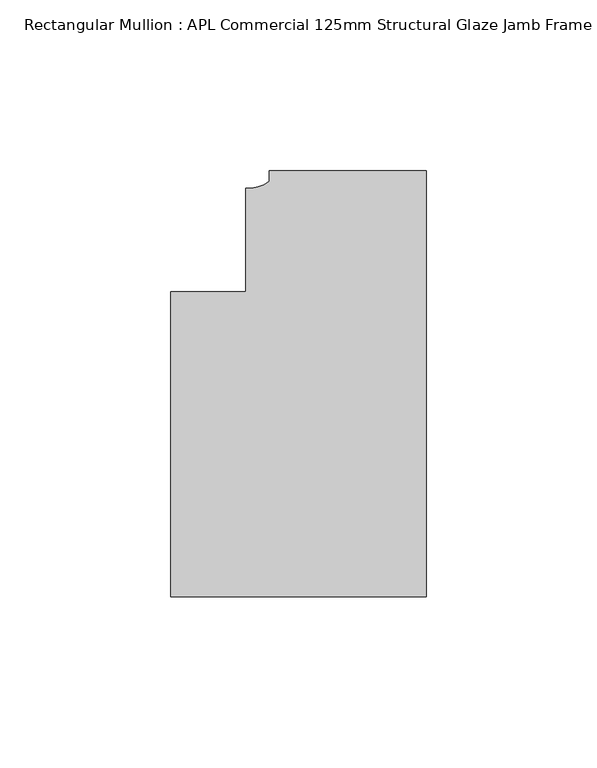
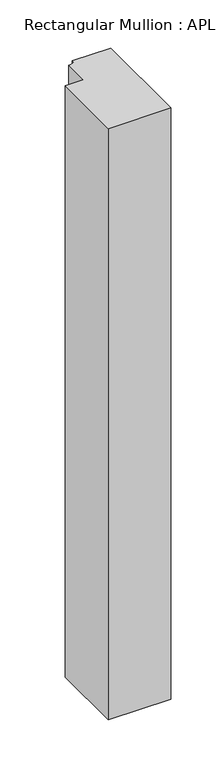
"""IFC4 building model written with IfcOpenShell, lengths in millimetres: member geometry, Rectangular Mullion : APL Commercial 125mm Structural Glaze Jamb Frame (left)."""

import ifcopenshell
import ifcopenshell.guid

model = None  # the IFC model being written
_history = None  # IfcOwnerHistory: only IFC2X3 demands one
_inside = {}  # id of a spatial element -> (the spatial element, [elements in it])
_under = {}  # id of a project, library or spatial element -> (it, [spatial elements below it])
_declared = {}  # id of a project -> (the project, [libraries it declares])
_typed = {}  # id of a type object -> (the type object, [elements of that type])
_made_of = {}  # id of a material, layer set ... -> (it, [elements and type objects made of it])


def new_model(schema):
    """Start an empty IFC model of exactly this schema.

    Asked for "IFC4X3", IfcOpenShell would pick the latest addendum, in which some entities
    have other attributes; the version numbers below select the first issue.
    IFC2X3 requires an IfcOwnerHistory on every rooted entity: one is made here for all.
    """
    global model, _history
    if schema == "IFC4X3":
        model = ifcopenshell.file(schema_version=(4, 3, 0, 0))
    else:
        model = ifcopenshell.file(schema=schema)
    _inside.clear()
    _under.clear()
    _declared.clear()
    _typed.clear()
    _made_of.clear()
    _history = None
    if model.schema == "IFC2X3":
        org = make("IfcOrganization", Name="unknown")
        user = make(
            "IfcPersonAndOrganization",
            ThePerson=make("IfcPerson", FamilyName="unknown"),
            TheOrganization=org,
        )
        app = make(
            "IfcApplication",
            ApplicationDeveloper=org,
            Version="unknown",
            ApplicationFullName="unknown",
            ApplicationIdentifier="unknown",
        )
        _history = make(
            "IfcOwnerHistory",
            OwningUser=user,
            OwningApplication=app,
            ChangeAction="ADDED",
            CreationDate=0,
        )
    return model


def make(cls, **values):
    """One entity of the class cls with the attributes given. An attribute that is None is left unset."""
    return model.create_entity(
        cls, **{name: value for name, value in values.items() if value is not None}
    )


def rooted(cls, **values):
    """An entity with a GlobalId (a new one), such as an element, a storey or a relation."""
    return make(cls, GlobalId=ifcopenshell.guid.new(), OwnerHistory=_history, **values)


def si_unit(unit_type, name, prefix=None):
    """IfcSIUnit, for example si_unit("LENGTHUNIT", "METRE", prefix="MILLI")."""
    return make("IfcSIUnit", UnitType=unit_type, Prefix=prefix, Name=name)


def assignment(units):
    """IfcUnitAssignment: the units of a project."""
    return None if units is None else make("IfcUnitAssignment", Units=units)


def point(xyz):
    """IfcCartesianPoint."""
    return None if xyz is None else make("IfcCartesianPoint", Coordinates=xyz)


def direction(xyz):
    """IfcDirection."""
    return None if xyz is None else make("IfcDirection", DirectionRatios=xyz)


def frame(location, z_axis=None, x_axis=None):
    """IfcAxis2Placement3D, a coordinate frame: its origin and axes. An axis left out is left unset."""
    return make(
        "IfcAxis2Placement3D",
        Location=point(location),
        Axis=direction(z_axis),
        RefDirection=direction(x_axis),
    )


def frame_2d(location, x_axis=None):
    """IfcAxis2Placement2D, a coordinate frame in the plane: its origin and x axis."""
    return make(
        "IfcAxis2Placement2D", Location=point(location), RefDirection=direction(x_axis)
    )


def origin():
    """The frame at (0, 0, 0) with its axes left unset."""
    return frame((0.0, 0.0, 0.0))


def place(relative_to, where):
    """IfcLocalPlacement: puts the frame where relative to a parent placement (None: the world)."""
    return make(
        "IfcLocalPlacement", PlacementRelTo=relative_to, RelativePlacement=where
    )


def context(
    kind, dimensions, precision=None, world=None, true_north=None, identifier=None
):
    """IfcGeometricRepresentationContext, for example the 3D "Model" context."""
    return make(
        "IfcGeometricRepresentationContext",
        ContextIdentifier=identifier,
        ContextType=kind,
        CoordinateSpaceDimension=dimensions,
        Precision=precision,
        WorldCoordinateSystem=world,
        TrueNorth=true_north,
    )


def project(units=None, contexts=None):
    """IfcProject with its units and contexts."""
    return rooted(
        "IfcProject",
        Name="project",
        RepresentationContexts=contexts,
        UnitsInContext=assignment(units),
    )


def spatial(cls, under=None, at=None, **own):
    """A site, building, storey or space (cls), placed at a placement, below another one or the project."""
    s = rooted(cls, ObjectPlacement=at, **own)
    if under is not None:
        _under.setdefault(under.id(), (under, []))[1].append(s)
    return s


def polyline(points):
    """IfcPolyline through the points."""
    return make("IfcPolyline", Points=[point(p) for p in points])


def circle_curve(where, radius):
    """IfcCircle in the frame where."""
    return make("IfcCircle", Position=where, Radius=radius)


def trimmed(basis, trim1, trim2, sense, master):
    """IfcTrimmedCurve: the piece of a basis curve between two trims."""
    return make(
        "IfcTrimmedCurve",
        BasisCurve=basis,
        Trim1=trim1,
        Trim2=trim2,
        SenseAgreement=sense,
        MasterRepresentation=master,
    )


def segment(curve, same_sense, transition):
    """IfcCompositeCurveSegment."""
    return make(
        "IfcCompositeCurveSegment",
        Transition=transition,
        SameSense=same_sense,
        ParentCurve=curve,
    )


def composite_curve(segments, self_intersect=None):
    """IfcCompositeCurve: segments joined end to end."""
    return make("IfcCompositeCurve", Segments=segments, SelfIntersect=self_intersect)


def outline(outer, holes=None, kind="AREA"):
    """IfcArbitraryClosedProfileDef: a profile drawn as a closed curve; with holes, ...WithVoids."""
    if holes is None:
        return make("IfcArbitraryClosedProfileDef", ProfileType=kind, OuterCurve=outer)
    return make(
        "IfcArbitraryProfileDefWithVoids",
        ProfileType=kind,
        OuterCurve=outer,
        InnerCurves=holes,
    )


def extrude(swept, where, along, depth):
    """IfcExtrudedAreaSolid: the profile swept, set in the frame where, extruded along a direction by depth."""
    return make(
        "IfcExtrudedAreaSolid",
        SweptArea=swept,
        Position=where,
        ExtrudedDirection=direction(along),
        Depth=depth,
    )


def shape(context_of_items, identifier, shape_type, items):
    """IfcShapeRepresentation: the items that make up one representation, for example the "Body"."""
    return make(
        "IfcShapeRepresentation",
        ContextOfItems=context_of_items,
        RepresentationIdentifier=identifier,
        RepresentationType=shape_type,
        Items=items,
    )


def source(mapping_origin, context_of_items, identifier, shape_type, items):
    """IfcRepresentationMap: a shape defined once, which mapped items show again and again."""
    return make(
        "IfcRepresentationMap",
        MappingOrigin=mapping_origin,
        MappedRepresentation=shape(context_of_items, identifier, shape_type, items),
    )


def transform(
    local_origin,
    x_axis=None,
    y_axis=None,
    z_axis=None,
    scale=None,
    scale2=None,
    scale3=None,
    uniform=True,
):
    """IfcCartesianTransformationOperator3D, or its non-uniform kind. x_axis, y_axis, z_axis: its Axis1, 2, 3."""
    if uniform:
        return make(
            "IfcCartesianTransformationOperator3D",
            Axis1=direction(x_axis),
            Axis2=direction(y_axis),
            LocalOrigin=point(local_origin),
            Scale=scale,
            Axis3=direction(z_axis),
        )
    return make(
        "IfcCartesianTransformationOperator3DnonUniform",
        Axis1=direction(x_axis),
        Axis2=direction(y_axis),
        LocalOrigin=point(local_origin),
        Scale=scale,
        Axis3=direction(z_axis),
        Scale2=scale2,
        Scale3=scale3,
    )


def mapped(mapping_source, mapping_target):
    """IfcMappedItem: shows the shape of a source again, moved by a transform."""
    return make(
        "IfcMappedItem", MappingSource=mapping_source, MappingTarget=mapping_target
    )


def made_of(thing, what):
    """Note that an element or type object is made of a material, layer set ...; save() writes the relation."""
    if what is not None:
        _made_of.setdefault(what.id(), (what, []))[1].append(thing)
    return thing


def element(
    cls,
    number,
    at=None,
    inside=None,
    cuts=None,
    type_object=None,
    material=None,
    context=None,
    identifier="Body",
    shape_type=None,
    held_by="IfcProductDefinitionShape",
    body=None,
    shapes=None,
    **own,
):
    """One element of the class cls, such as IfcWall. Its Tag is "e" and its number.

    at: its placement. inside: the storey or other place that contains it. cuts: it is an
    opening in that element (IfcRelVoidsElement). A single representation is given by context,
    identifier, shape_type and body (its items); several are given by shapes. held_by: the class
    of the entity that holds the representations. save() writes the other relations.
    """
    e = rooted(cls, Tag="e%d" % number, ObjectPlacement=at, **own)
    if body is not None:
        shapes = [shape(context, identifier, shape_type, body)]
    if shapes is not None:
        e.Representation = make(held_by, Representations=shapes)
    if inside is not None:
        _inside.setdefault(inside.id(), (inside, []))[1].append(e)
    if cuts is not None:
        rooted(
            "IfcRelVoidsElement", RelatingBuildingElement=cuts, RelatedOpeningElement=e
        )
    if type_object is not None:
        _typed.setdefault(type_object.id(), (type_object, []))[1].append(e)
    return made_of(e, material)


def aggregate(whole, parts):
    """IfcRelAggregates: a whole, such as a stair, and the parts it consists of."""
    return rooted("IfcRelAggregates", RelatingObject=whole, RelatedObjects=parts)


def save(model, path):
    """Write the relations noted so far, then the file.

    IfcRelAggregates (storeys below a building ...), IfcRelContainedInSpatialStructure (elements
    in a storey), IfcRelDefinesByType, IfcRelAssociatesMaterial and IfcRelDeclares: one each for
    every whole, place, type object, material and project.
    """
    for whole, parts in _under.values():
        aggregate(whole, parts)
    for where, things in _inside.values():
        rooted(
            "IfcRelContainedInSpatialStructure",
            RelatedElements=things,
            RelatingStructure=where,
        )
    for kind, things in _typed.values():
        rooted("IfcRelDefinesByType", RelatedObjects=things, RelatingType=kind)
    for what, things in _made_of.values():
        rooted("IfcRelAssociatesMaterial", RelatedObjects=things, RelatingMaterial=what)
    for by, libraries in _declared.values():
        rooted("IfcRelDeclares", RelatingContext=by, RelatedDefinitions=libraries)
    model.write(path)


def rectangular_mullion_apl_commercial_125mm_structural_glaze_5f9bf759(model_context):
    return source(origin(), model_context, "Body", "SweptSolid", [
        extrude(outline(composite_curve([segment(polyline([(0.0, 20.5), (0.0, -104.5), (-75.0, -104.5), (-75.0, -15.0000829), (-52.9999391, -15.0000829), (-52.9999391, 15.3797475)]), True, "CONTINUOUS"), segment(trimmed(circle_curve(frame_2d((-52.1098019, 25.7981812)), 10.4563907), [point((-52.9999391, 15.3797475))], [point((-45.9999842, 17.3125325))], True, "CARTESIAN"), True, "CONTINUOUS"), segment(polyline([(-45.9999842, 17.3125325), (-45.9999842, 20.5), (0.0, 20.5)]), True, "CONTINUOUS")], self_intersect=False)), frame((0.0, 0.0, -750.6149322), z_axis=(0.0, 0.0, 1.0), x_axis=(1.0, 0.0, 0.0)), (0.0, 0.0, 1.0), 750.6149322),
    ])


if __name__ == "__main__":
    model = new_model("IFC4")
    model_context = context("Model", 3, world=origin())
    ifc_project = project(units=[si_unit("LENGTHUNIT", "METRE", prefix="MILLI")], contexts=[model_context])
    site = spatial("IfcSite", under=ifc_project)
    building = spatial("IfcBuilding", under=site)
    placement = place(None, origin())
    rectangular_mullion_apl_commercial_125mm_structural_glaze_shape = rectangular_mullion_apl_commercial_125mm_structural_glaze_5f9bf759(model_context)
    element("IfcMember", 1, ObjectType="Rectangular Mullion : APL Commercial 125mm Structural Glaze Jamb Frame (left)", at=placement, inside=building, context=model_context, shape_type="MappedRepresentation", body=[
        mapped(rectangular_mullion_apl_commercial_125mm_structural_glaze_shape, transform((0.0, 0.0, 0.0), x_axis=(1.0, 0.0, 0.0), y_axis=(0.0, 1.0, 0.0), z_axis=(0.0, 0.0, 1.0))),
    ])
    save(model, "model.ifc")
